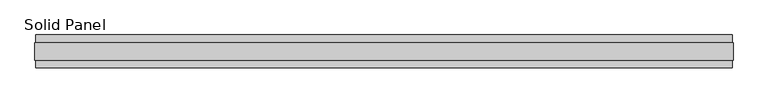
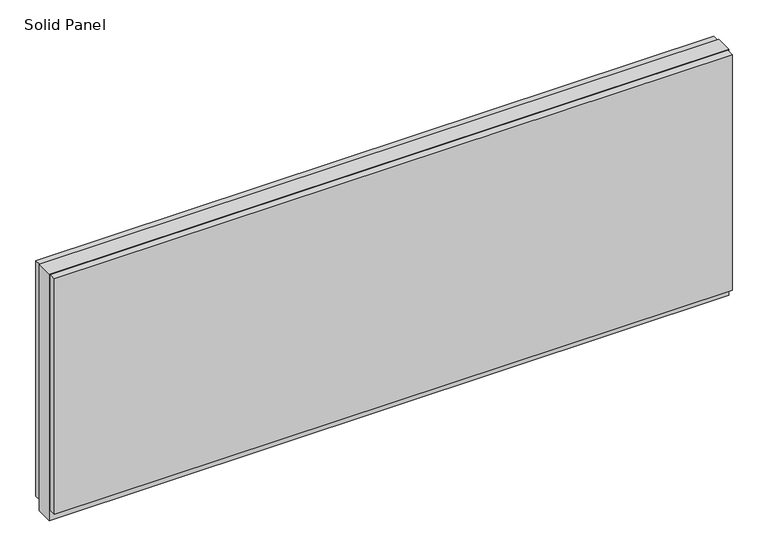
"""IFC4 building model written with IfcOpenShell, lengths in millimetres: plate geometry, Solid Panel."""

from ifc_helpers import new_model, si_unit, frame, origin, origin_with_axes, place, context, project, spatial, polyline, outline, extrude, source, transform, mapped, element, save


def solid_panel_2e1ad687(model_context):
    return source(origin(), model_context, "Body", "SweptSolid", [
        extrude(outline(polyline([(1024.0783708, -48.4531867), (-1024.0783708, -48.4531867), (-1024.0783708, -25.9961), (1024.0783708, -25.9961), (1024.0783708, -48.4531867)])), frame((0.0, 0.0, 32.004), z_axis=(0.0, 0.0, 1.0), x_axis=(1.0, 0.0, 0.0)), (0.0, 0.0, 1.0), 752.3861),
        extrude(outline(polyline([(1024.0783708, 25.9977), (-1024.0783708, 25.9977), (-1024.0783708, 48.4547867), (1024.0783708, 48.4547867), (1024.0783708, 25.9977)])), frame((0.0, 0.0, 32.004), z_axis=(0.0, 0.0, 1.0), x_axis=(1.0, 0.0, 0.0)), (0.0, 0.0, 1.0), 752.3861),
        extrude(outline(polyline([(1027.0755708, -25.9961), (-1027.0755708, -25.9961), (-1027.0755708, 25.9977), (1027.0755708, 25.9977), (1027.0755708, -25.9961)])), origin_with_axes(), (0.0, 0.0, 1.0), 787.4),
    ])


if __name__ == "__main__":
    model = new_model("IFC4")
    model_context = context("Model", 3, world=origin())
    ifc_project = project(units=[si_unit("LENGTHUNIT", "METRE", prefix="MILLI")], contexts=[model_context])
    site = spatial("IfcSite", under=ifc_project)
    building = spatial("IfcBuilding", under=site)
    placement = place(None, origin())
    solid_panel_shape = solid_panel_2e1ad687(model_context)
    element("IfcPlate", 1, ObjectType="Solid Panel", at=placement, inside=building, context=model_context, shape_type="MappedRepresentation", body=[
        mapped(solid_panel_shape, transform((0.0, 0.0, 0.0), x_axis=(1.0, 0.0, 0.0), y_axis=(0.0, 1.0, 0.0), z_axis=(0.0, 0.0, 1.0))),
    ])
    save(model, "model.ifc")
